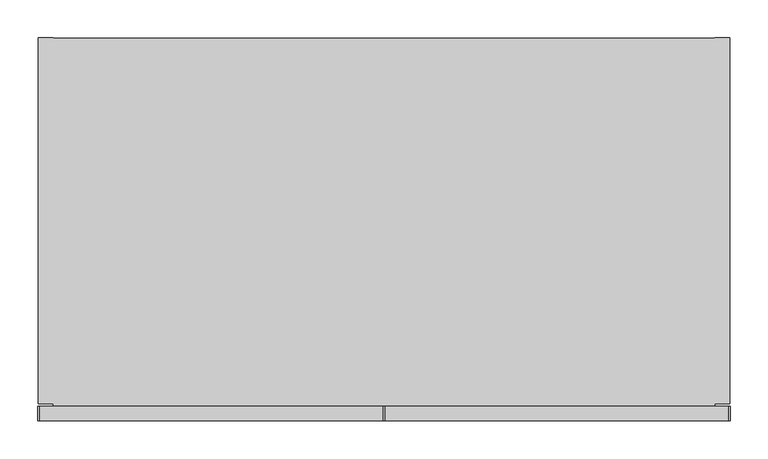
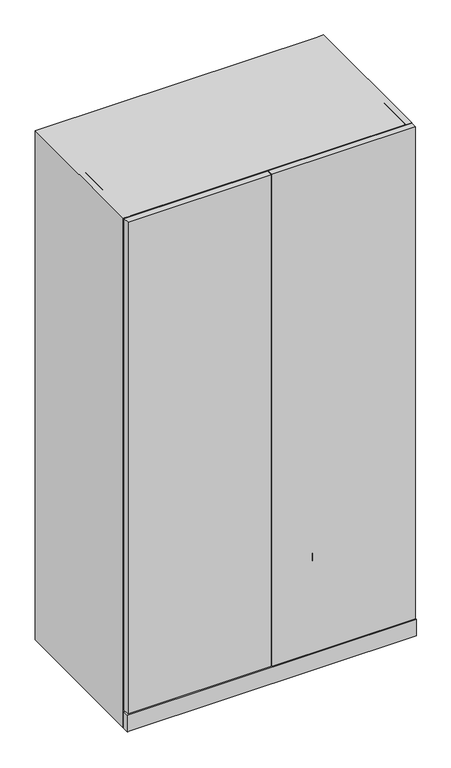
"""IFC4 building model written with IfcOpenShell, lengths in millimetres: furniture geometry."""

from ifc_helpers import new_model, si_unit, origin, place, context, project, spatial, triangles, source, transform, mapped, element, save


def furniture_e391265e(model_context):
    return source(origin(), model_context, "Body", "Tessellation", [
        triangles([(892.6830116, -0.762, 1683.5627895), (892.6830116, -0.762, 1702.8668438), (892.6830116, -481.5840131, 1702.8668438), (892.6830116, -481.5840131, 1683.5627895), (20.065999, -481.5840131, 1702.8668438), (20.065999, -0.762, 1702.8668438), (20.065999, -0.762, 1683.5627895), (20.065999, -481.5840131, 1683.5627895), (20.065999, -1.524, 1683.5627895), (20.065999, -20.8280006, 1683.5627895), (892.6830116, -20.8280006, 1683.5627895), (892.6830116, -1.524, 1683.5627895), (892.6830116, -20.8280006, 4.6990001), (20.065999, -20.8280006, 4.6990001), (20.065999, -1.524, 4.6990001), (892.6830116, -1.524, 4.6990001), (892.6830116, -20.8280006, 40.2082016), (892.6830116, -20.8280006, 59.5122014), (892.6830116, -485.5209821, 59.5122014), (892.6830116, -485.5209821, 40.2082016), (20.065999, -485.5209821, 59.5122014), (20.065999, -20.8280006, 59.5122014), (20.065999, -20.8280006, 40.2082016), (20.065999, -485.5209821, 40.2082016), (911.9869932, 0.0, 1703.6288612), (892.6830116, 0.0, 1703.6288612), (892.6830116, -482.3459942, 1703.6288612), (911.9869932, -482.3459942, 1703.6288612), (892.6830116, -482.3459942, 4.6990001), (892.6830116, 0.0, 4.6990001), (911.9869932, 0.0, 4.6990001), (911.9869932, -482.3459942, 4.6990001), (20.065999, 0.0, 1703.6288612), (0.762, 0.0, 1703.6288612), (0.762, -482.3459942, 1703.6288612), (20.065999, -482.3459942, 1703.6288612), (0.762, -482.3459942, 4.6990001), (0.762, 0.0, 4.6990001), (20.065999, 0.0, 4.6990001), (20.065999, -482.3459942, 4.6990001)], [[1, 2, 3], [1, 3, 4], [5, 6, 7], [5, 7, 8], [3, 5, 8], [3, 8, 4], [1, 4, 8], [1, 8, 7], [1, 7, 6], [1, 6, 2], [3, 2, 6], [3, 6, 5], [9, 10, 11], [9, 11, 12], [13, 14, 15], [13, 15, 16], [11, 13, 16], [11, 16, 12], [9, 12, 16], [9, 16, 15], [9, 15, 14], [9, 14, 10], [11, 10, 14], [11, 14, 13], [17, 18, 19], [17, 19, 20], [21, 22, 23], [21, 23, 24], [19, 21, 24], [19, 24, 20], [17, 20, 24], [17, 24, 23], [17, 23, 22], [17, 22, 18], [19, 18, 22], [19, 22, 21], [25, 26, 27], [25, 27, 28], [29, 30, 31], [29, 31, 32], [27, 29, 32], [27, 32, 28], [25, 28, 32], [25, 32, 31], [25, 31, 30], [25, 30, 26], [27, 26, 30], [27, 30, 29], [33, 34, 35], [33, 35, 36], [37, 38, 39], [37, 39, 40], [35, 37, 40], [35, 40, 36], [33, 36, 40], [33, 40, 39], [33, 39, 38], [33, 38, 34], [35, 34, 38], [35, 38, 37]]),
        triangles([(0.0, -485.5209821, 60.2742007), (0.0, -504.825, 60.2742007), (912.7490107, -504.825, 60.2742007), (912.7490107, -485.5209821, 60.2742007), (912.7490107, -504.825, 4.6990001), (0.0, -504.825, 4.6990001), (0.0, -485.5209821, 4.6990001), (912.7490107, -485.5209821, 4.6990001)], [[1, 2, 3], [1, 3, 4], [5, 6, 7], [5, 7, 8], [3, 5, 8], [3, 8, 4], [1, 4, 8], [1, 8, 7], [1, 7, 6], [1, 6, 2], [3, 2, 6], [3, 6, 5]]),
        triangles([(858.5326979, -31.072036, 12.7000004), (849.7824326, -46.2280013, 12.7000004), (884.7835665, -46.2280013, 12.7000004), (876.0333012, -31.072036, 12.7000004), (876.0333012, -61.3839621, 12.7000004), (858.5326979, -61.3839621, 12.7000004), (858.5326979, -31.072036, 0.0), (876.0333012, -31.072036, 0.0), (884.7835665, -46.2280013, 0.0), (849.7824326, -46.2280013, 0.0), (876.0333012, -61.3839621, 0.0), (858.5326979, -61.3839621, 0.0), (36.7157004, -31.072036, 12.7000004), (27.965401, -46.2280013, 12.7000004), (62.9666008, -46.2280013, 12.7000004), (54.2162992, -31.072036, 12.7000004), (36.7157004, -61.3839621, 12.7000004), (54.2162992, -61.3839621, 12.7000004), (62.9666008, -46.2280013, 0.0), (27.965401, -46.2280013, 0.0), (36.7157004, -31.072036, 0.0), (54.2162992, -31.072036, 0.0), (54.2162992, -61.3839621, 0.0), (36.7157004, -61.3839621, 0.0), (858.5326979, -444.9650273, 12.7000004), (849.7824326, -460.1210063, 12.7000004), (884.7835665, -460.1210063, 12.7000004), (876.0333012, -444.9650273, 12.7000004), (876.0333012, -475.2769489, 12.7000004), (858.5326979, -475.2769489, 12.7000004), (858.5326979, -444.9650273, 0.0), (876.0333012, -444.9650273, 0.0), (884.7835665, -460.1210063, 0.0), (849.7824326, -460.1210063, 0.0), (876.0333012, -475.2769489, 0.0), (858.5326979, -475.2769489, 0.0), (36.7157004, -444.9650273, 12.7000004), (27.965401, -460.1210063, 12.7000004), (62.9666008, -460.1210063, 12.7000004), (54.2162992, -444.9650273, 12.7000004), (36.7157004, -475.2769489, 12.7000004), (54.2162992, -475.2769489, 12.7000004), (62.9666008, -460.1210063, 0.0), (27.965401, -460.1210063, 0.0), (36.7157004, -444.9650273, 0.0), (54.2162992, -444.9650273, 0.0), (54.2162992, -475.2769489, 0.0), (36.7157004, -475.2769489, 0.0)], [[1, 2, 3], [1, 3, 4], [3, 2, 5], [2, 6, 5], [7, 8, 9], [7, 9, 10], [9, 11, 10], [11, 12, 10], [10, 12, 6], [10, 6, 2], [12, 11, 5], [12, 5, 6], [11, 9, 3], [11, 3, 5], [9, 8, 4], [9, 4, 3], [8, 7, 1], [8, 1, 4], [7, 10, 2], [7, 2, 1], [13, 14, 15], [13, 15, 16], [17, 18, 14], [18, 15, 14], [19, 20, 21], [19, 21, 22], [19, 23, 20], [23, 24, 20], [15, 18, 23], [15, 23, 19], [18, 17, 24], [18, 24, 23], [17, 14, 20], [17, 20, 24], [14, 13, 21], [14, 21, 20], [13, 16, 22], [13, 22, 21], [16, 15, 19], [16, 19, 22], [25, 26, 27], [25, 27, 28], [27, 26, 29], [26, 30, 29], [31, 32, 33], [31, 33, 34], [33, 35, 34], [35, 36, 34], [34, 36, 30], [34, 30, 26], [36, 35, 29], [36, 29, 30], [35, 33, 27], [35, 27, 29], [33, 32, 28], [33, 28, 27], [32, 31, 25], [32, 25, 28], [31, 34, 26], [31, 26, 25], [37, 38, 39], [37, 39, 40], [41, 42, 38], [42, 39, 38], [43, 44, 45], [43, 45, 46], [43, 47, 48], [43, 48, 44], [39, 42, 47], [39, 47, 43], [42, 41, 48], [42, 48, 47], [41, 38, 44], [41, 44, 48], [38, 37, 45], [38, 45, 44], [37, 40, 46], [37, 46, 45], [40, 39, 43], [40, 43, 46]]),
        triangles([(2.3495, -485.5209821, 1703.6288612), (2.3495, -504.825, 1703.6288612), (454.7869932, -504.825, 1703.6288612), (454.7869932, -485.5209821, 1703.6288612), (2.3495, -485.5209821, 63.4492022), (454.7869932, -485.5209821, 63.4492022), (454.7869932, -504.825, 63.4492022), (2.3495, -504.825, 63.4492022), (457.9620174, -485.5209821, 1703.6288612), (457.9620174, -504.825, 1703.6288612), (910.3995174, -504.825, 1703.6288612), (910.3995174, -485.5209821, 1703.6288612), (910.3995174, -504.825, 63.4492022), (457.9620174, -504.825, 63.4492022), (457.9620174, -485.5209821, 63.4492022), (910.3995174, -485.5209821, 63.4492022)], [[1, 2, 3], [1, 3, 4], [5, 6, 7], [5, 7, 8], [1, 5, 8], [1, 8, 2], [6, 5, 1], [6, 1, 4], [3, 7, 6], [3, 6, 4], [8, 7, 3], [8, 3, 2], [9, 10, 11], [9, 11, 12], [13, 14, 15], [13, 15, 16], [11, 13, 16], [11, 16, 12], [9, 12, 15], [12, 16, 15], [9, 15, 14], [9, 14, 10], [11, 10, 14], [11, 14, 13]]),
        triangles([(892.0480213, -20.8280006, 1336.6242279), (892.0480213, -20.8280006, 1355.9281368), (892.0480213, -480.0600145, 1355.9281368), (892.0480213, -480.0600145, 1336.6242279), (20.7010007, -480.0600145, 1355.9281368), (20.7010007, -20.8280006, 1355.9281368), (20.7010007, -20.8280006, 1336.6242279), (20.7010007, -480.0600145, 1336.6242279), (892.0480213, -20.8280006, 1012.5201736), (892.0480213, -20.8280006, 1031.8242279), (892.0480213, -480.0600145, 1031.8242279), (892.0480213, -480.0600145, 1012.5201736), (20.7010007, -480.0600145, 1031.8242279), (20.7010007, -20.8280006, 1031.8242279), (20.7010007, -20.8280006, 1012.5201736), (20.7010007, -480.0600145, 1012.5201736), (892.0480213, -20.8280006, 688.4161921), (892.0480213, -20.8280006, 707.7201736), (892.0480213, -480.0600145, 707.7201736), (892.0480213, -480.0600145, 688.4161921), (20.7010007, -480.0600145, 707.7201736), (20.7010007, -20.8280006, 707.7201736), (20.7010007, -20.8280006, 688.4161921), (20.7010007, -480.0600145, 688.4161921), (892.0480213, -20.8280006, 364.3122105), (892.0480213, -20.8280006, 383.6161921), (892.0480213, -480.0600145, 383.6161921), (892.0480213, -480.0600145, 364.3122105), (20.7010007, -480.0600145, 383.6161921), (20.7010007, -20.8280006, 383.6161921), (20.7010007, -20.8280006, 364.3122105), (20.7010007, -480.0600145, 364.3122105)], [[1, 2, 3], [1, 3, 4], [5, 6, 7], [5, 7, 8], [3, 5, 8], [3, 8, 4], [1, 4, 8], [1, 8, 7], [1, 7, 6], [1, 6, 2], [3, 2, 6], [3, 6, 5], [9, 10, 11], [9, 11, 12], [13, 14, 15], [13, 15, 16], [11, 13, 16], [11, 16, 12], [9, 12, 16], [9, 16, 15], [9, 15, 14], [9, 14, 10], [11, 10, 14], [11, 14, 13], [17, 18, 19], [17, 19, 20], [21, 22, 23], [21, 23, 24], [19, 21, 24], [19, 24, 20], [17, 20, 24], [17, 24, 23], [17, 23, 22], [17, 22, 18], [19, 18, 22], [19, 22, 21], [25, 26, 27], [25, 27, 28], [29, 30, 31], [29, 31, 32], [27, 29, 32], [27, 32, 28], [25, 28, 32], [25, 32, 31], [25, 31, 30], [25, 30, 26], [27, 26, 30], [27, 30, 29]]),
    ])


if __name__ == "__main__":
    model = new_model("IFC4")
    model_context = context("Model", 3, world=origin())
    ifc_project = project(units=[si_unit("LENGTHUNIT", "METRE", prefix="MILLI")], contexts=[model_context])
    site = spatial("IfcSite", under=ifc_project)
    building = spatial("IfcBuilding", under=site)
    placement = place(None, origin())
    furniture_shape = furniture_e391265e(model_context)
    element("IfcFurniture", 1, at=placement, inside=building, context=model_context, shape_type="MappedRepresentation", body=[
        mapped(furniture_shape, transform((0.0, 0.0, 0.0), x_axis=(1.0, 0.0, 0.0), y_axis=(0.0, 1.0, 0.0), z_axis=(0.0, 0.0, 1.0))),
    ])
    save(model, "model.ifc")
